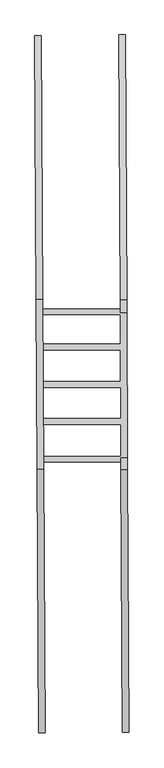
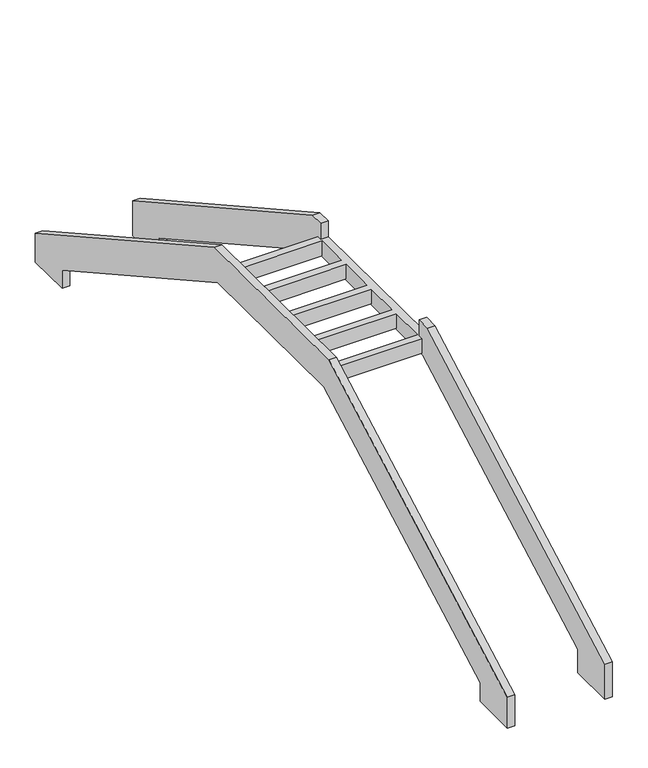
"""IFC4 building model written with IfcOpenShell, lengths in millimetres: stair geometry."""

import ifcopenshell
import ifcopenshell.guid

model = None  # the IFC model being written
_history = None  # IfcOwnerHistory: only IFC2X3 demands one
_inside = {}  # id of a spatial element -> (the spatial element, [elements in it])
_under = {}  # id of a project, library or spatial element -> (it, [spatial elements below it])
_declared = {}  # id of a project -> (the project, [libraries it declares])
_typed = {}  # id of a type object -> (the type object, [elements of that type])
_made_of = {}  # id of a material, layer set ... -> (it, [elements and type objects made of it])


def new_model(schema):
    """Start an empty IFC model of exactly this schema.

    Asked for "IFC4X3", IfcOpenShell would pick the latest addendum, in which some entities
    have other attributes; the version numbers below select the first issue.
    IFC2X3 requires an IfcOwnerHistory on every rooted entity: one is made here for all.
    """
    global model, _history
    if schema == "IFC4X3":
        model = ifcopenshell.file(schema_version=(4, 3, 0, 0))
    else:
        model = ifcopenshell.file(schema=schema)
    _inside.clear()
    _under.clear()
    _declared.clear()
    _typed.clear()
    _made_of.clear()
    _history = None
    if model.schema == "IFC2X3":
        org = make("IfcOrganization", Name="unknown")
        user = make(
            "IfcPersonAndOrganization",
            ThePerson=make("IfcPerson", FamilyName="unknown"),
            TheOrganization=org,
        )
        app = make(
            "IfcApplication",
            ApplicationDeveloper=org,
            Version="unknown",
            ApplicationFullName="unknown",
            ApplicationIdentifier="unknown",
        )
        _history = make(
            "IfcOwnerHistory",
            OwningUser=user,
            OwningApplication=app,
            ChangeAction="ADDED",
            CreationDate=0,
        )
    return model


def make(cls, **values):
    """One entity of the class cls with the attributes given. An attribute that is None is left unset."""
    return model.create_entity(
        cls, **{name: value for name, value in values.items() if value is not None}
    )


def rooted(cls, **values):
    """An entity with a GlobalId (a new one), such as an element, a storey or a relation."""
    return make(cls, GlobalId=ifcopenshell.guid.new(), OwnerHistory=_history, **values)


def si_unit(unit_type, name, prefix=None):
    """IfcSIUnit, for example si_unit("LENGTHUNIT", "METRE", prefix="MILLI")."""
    return make("IfcSIUnit", UnitType=unit_type, Prefix=prefix, Name=name)


def assignment(units):
    """IfcUnitAssignment: the units of a project."""
    return None if units is None else make("IfcUnitAssignment", Units=units)


def point(xyz):
    """IfcCartesianPoint."""
    return None if xyz is None else make("IfcCartesianPoint", Coordinates=xyz)


def direction(xyz):
    """IfcDirection."""
    return None if xyz is None else make("IfcDirection", DirectionRatios=xyz)


def frame(location, z_axis=None, x_axis=None):
    """IfcAxis2Placement3D, a coordinate frame: its origin and axes. An axis left out is left unset."""
    return make(
        "IfcAxis2Placement3D",
        Location=point(location),
        Axis=direction(z_axis),
        RefDirection=direction(x_axis),
    )


def origin():
    """The frame at (0, 0, 0) with its axes left unset."""
    return frame((0.0, 0.0, 0.0))


def place(relative_to, where):
    """IfcLocalPlacement: puts the frame where relative to a parent placement (None: the world)."""
    return make(
        "IfcLocalPlacement", PlacementRelTo=relative_to, RelativePlacement=where
    )


def context(
    kind, dimensions, precision=None, world=None, true_north=None, identifier=None
):
    """IfcGeometricRepresentationContext, for example the 3D "Model" context."""
    return make(
        "IfcGeometricRepresentationContext",
        ContextIdentifier=identifier,
        ContextType=kind,
        CoordinateSpaceDimension=dimensions,
        Precision=precision,
        WorldCoordinateSystem=world,
        TrueNorth=true_north,
    )


def project(units=None, contexts=None):
    """IfcProject with its units and contexts."""
    return rooted(
        "IfcProject",
        Name="project",
        RepresentationContexts=contexts,
        UnitsInContext=assignment(units),
    )


def spatial(cls, under=None, at=None, **own):
    """A site, building, storey or space (cls), placed at a placement, below another one or the project."""
    s = rooted(cls, ObjectPlacement=at, **own)
    if under is not None:
        _under.setdefault(under.id(), (under, []))[1].append(s)
    return s


def faces_of(points, faces, orient=None, outer=None):
    """IfcFace entities. A face is a list of loops; a loop is a list of indices into points, from 0.

    orient and outer hold one flag for each loop. By default every Orientation is true, the
    first loop of a face is its IfcFaceOuterBound and the others are IfcFaceBound.
    """
    made = []
    for i, loops in enumerate(faces):
        bounds = []
        for j, loop in enumerate(loops):
            is_outer = j == 0 if outer is None else outer[i][j]
            bounds.append(
                make(
                    "IfcFaceOuterBound" if is_outer else "IfcFaceBound",
                    Bound=make("IfcPolyLoop", Polygon=[points[k] for k in loop]),
                    Orientation=True if orient is None else orient[i][j],
                )
            )
        made.append(make("IfcFace", Bounds=bounds))
    return made


def faceted_brep(points, faces, orient=None, outer=None, voids=None):
    """IfcFacetedBrep: a solid bounded by flat faces; with voids (closed shells), ...WithVoids."""
    shared = [point(p) for p in points]
    hull = make("IfcClosedShell", CfsFaces=faces_of(shared, faces, orient, outer))
    if voids is None:
        return make("IfcFacetedBrep", Outer=hull)
    return make(
        "IfcFacetedBrepWithVoids",
        Outer=hull,
        Voids=[
            make(cls, CfsFaces=faces_of(shared, fs, o, b)) for cls, fs, o, b in voids
        ],
    )


def shape(context_of_items, identifier, shape_type, items):
    """IfcShapeRepresentation: the items that make up one representation, for example the "Body"."""
    return make(
        "IfcShapeRepresentation",
        ContextOfItems=context_of_items,
        RepresentationIdentifier=identifier,
        RepresentationType=shape_type,
        Items=items,
    )


def source(mapping_origin, context_of_items, identifier, shape_type, items):
    """IfcRepresentationMap: a shape defined once, which mapped items show again and again."""
    return make(
        "IfcRepresentationMap",
        MappingOrigin=mapping_origin,
        MappedRepresentation=shape(context_of_items, identifier, shape_type, items),
    )


def transform(
    local_origin,
    x_axis=None,
    y_axis=None,
    z_axis=None,
    scale=None,
    scale2=None,
    scale3=None,
    uniform=True,
):
    """IfcCartesianTransformationOperator3D, or its non-uniform kind. x_axis, y_axis, z_axis: its Axis1, 2, 3."""
    if uniform:
        return make(
            "IfcCartesianTransformationOperator3D",
            Axis1=direction(x_axis),
            Axis2=direction(y_axis),
            LocalOrigin=point(local_origin),
            Scale=scale,
            Axis3=direction(z_axis),
        )
    return make(
        "IfcCartesianTransformationOperator3DnonUniform",
        Axis1=direction(x_axis),
        Axis2=direction(y_axis),
        LocalOrigin=point(local_origin),
        Scale=scale,
        Axis3=direction(z_axis),
        Scale2=scale2,
        Scale3=scale3,
    )


def mapped(mapping_source, mapping_target):
    """IfcMappedItem: shows the shape of a source again, moved by a transform."""
    return make(
        "IfcMappedItem", MappingSource=mapping_source, MappingTarget=mapping_target
    )


def made_of(thing, what):
    """Note that an element or type object is made of a material, layer set ...; save() writes the relation."""
    if what is not None:
        _made_of.setdefault(what.id(), (what, []))[1].append(thing)
    return thing


def element(
    cls,
    number,
    at=None,
    inside=None,
    cuts=None,
    type_object=None,
    material=None,
    context=None,
    identifier="Body",
    shape_type=None,
    held_by="IfcProductDefinitionShape",
    body=None,
    shapes=None,
    **own,
):
    """One element of the class cls, such as IfcWall. Its Tag is "e" and its number.

    at: its placement. inside: the storey or other place that contains it. cuts: it is an
    opening in that element (IfcRelVoidsElement). A single representation is given by context,
    identifier, shape_type and body (its items); several are given by shapes. held_by: the class
    of the entity that holds the representations. save() writes the other relations.
    """
    e = rooted(cls, Tag="e%d" % number, ObjectPlacement=at, **own)
    if body is not None:
        shapes = [shape(context, identifier, shape_type, body)]
    if shapes is not None:
        e.Representation = make(held_by, Representations=shapes)
    if inside is not None:
        _inside.setdefault(inside.id(), (inside, []))[1].append(e)
    if cuts is not None:
        rooted(
            "IfcRelVoidsElement", RelatingBuildingElement=cuts, RelatedOpeningElement=e
        )
    if type_object is not None:
        _typed.setdefault(type_object.id(), (type_object, []))[1].append(e)
    return made_of(e, material)


def aggregate(whole, parts):
    """IfcRelAggregates: a whole, such as a stair, and the parts it consists of."""
    return rooted("IfcRelAggregates", RelatingObject=whole, RelatedObjects=parts)


def save(model, path):
    """Write the relations noted so far, then the file.

    IfcRelAggregates (storeys below a building ...), IfcRelContainedInSpatialStructure (elements
    in a storey), IfcRelDefinesByType, IfcRelAssociatesMaterial and IfcRelDeclares: one each for
    every whole, place, type object, material and project.
    """
    for whole, parts in _under.values():
        aggregate(whole, parts)
    for where, things in _inside.values():
        rooted(
            "IfcRelContainedInSpatialStructure",
            RelatedElements=things,
            RelatingStructure=where,
        )
    for kind, things in _typed.values():
        rooted("IfcRelDefinesByType", RelatedObjects=things, RelatingType=kind)
    for what, things in _made_of.values():
        rooted("IfcRelAssociatesMaterial", RelatedObjects=things, RelatingMaterial=what)
    for by, libraries in _declared.values():
        rooted("IfcRelDeclares", RelatingContext=by, RelatedDefinitions=libraries)
    model.write(path)


def stair_c651b82e(model_context):
    return source(origin(), model_context, "Body", "Brep", [
        faceted_brep([(112403.682917, 80900.5702248, -2198.5450619), (112403.682917, 80900.5702248, -2464.9395685), (112407.0419128, 80280.958641, -2464.9395685), (112407.0419128, 80280.958641, -2033.9516672), (112384.9159819, 84362.3817662, 258.7640832), (112370.7127064, 86982.3654327, 258.7640832), (112348.5562572, 91069.4180741, -2013.5702522), (112348.5562572, 91069.4180741, -2423.5005751), (112351.861284, 90459.7617824, -2423.5005751), (112351.861284, 90459.7617824, -2171.5289761), (112371.1707569, 86897.8718929, -191.1765302), (112384.3107391, 84474.0268755, -191.1765302), (112503.877541, 80901.113393, -2198.5450619), (112484.5053632, 84474.5700437, -191.1765302), (112471.365381, 86898.4150611, -191.1765302), (112452.0559081, 90460.3049506, -2171.5289761), (112452.0559081, 90460.3049506, -2423.5005751), (112448.7508812, 91069.9612423, -2423.5005751), (112448.7508812, 91069.9612423, -2013.5702522), (112470.9073304, 86982.908601, 258.7640832), (112485.110606, 84362.9249345, 258.7640832), (112507.2365368, 80281.5018092, -2033.9516672), (112507.2365368, 80281.5018092, -2464.9395685), (112503.877541, 80901.113393, -2464.9395685), (112484.0444672, 84559.5884529, -173.9867204), (112484.5593204, 84464.6169053, -173.9867204), (112484.5593204, 84464.6169053, 30.875), (112484.0444672, 84559.5884529, 30.875), (112480.8829073, 85142.780354, -173.9867204), (112481.3977605, 85047.8088064, -173.9867204), (112481.3977605, 85047.8088064, 30.875), (112480.8829073, 85142.780354, 30.875), (112477.7832677, 85714.5502348, -173.9867204), (112478.2981209, 85619.5786871, -173.9867204), (112478.2981209, 85619.5786871, 30.875), (112477.7832677, 85714.5502348, 30.875), (112474.6495958, 86292.5978132, -173.9867204), (112475.1644491, 86197.6262656, -173.9867204), (112475.1644491, 86197.6262656, 30.875), (112474.6495958, 86292.5978132, 30.875), (112471.6802945, 86840.3250512, -173.9867204), (112472.2087004, 86742.8535403, -173.9867204), (112472.2087004, 86742.8535403, 30.875), (112471.6802945, 86840.3250512, 30.875), (113706.4324164, 80902.6595847, -2186.7541083), (113706.4324164, 80902.6595847, -2514.9395685), (113709.7914122, 80283.0480009, -2514.9395685), (113709.7914122, 80283.0480009, -2022.1607137), (113687.7792703, 84343.4812278, 258.7640832), (113686.7397616, 84535.2324906, 258.7640832), (113686.7397616, 84535.2324906, 30.875), (113687.0872372, 84471.1359671, 30.875), (113687.0872372, 84471.1359671, -173.9867204), (113686.572384, 84566.1075147, -173.9867204), (113686.572384, 84566.1075147, 30.875), (113683.9256773, 85054.3278682, 30.875), (113683.9256773, 85054.3278682, -173.9867204), (113683.4108241, 85149.2994158, -173.9867204), (113683.4108241, 85149.2994158, 30.875), (113680.8260377, 85626.0977489, 30.875), (113680.8260377, 85626.0977489, -173.9867204), (113680.3111845, 85721.0692966, -173.9867204), (113680.3111845, 85721.0692966, 30.875), (113677.6923659, 86204.1453274, 30.875), (113677.6923659, 86204.1453274, -173.9867204), (113677.1775126, 86299.116875, -173.9867204), (113677.1775126, 86299.116875, 30.875), (113674.7366172, 86749.3726021, 30.875), (113674.7366172, 86749.3726021, -173.9867204), (113674.2082114, 86846.844113, -173.9867204), (113674.2082114, 86846.844113, 30.875), (113674.535663, 86786.4412957, 30.875), (113674.535663, 86786.4412957, 258.7640832), (113673.5164163, 86974.4549396, 258.7640832), (113651.2515461, 91081.507287, -2024.6897613), (113651.2515461, 91081.507287, -2513.5005751), (113654.5565729, 90471.8509954, -2513.5005751), (113654.5565729, 90471.8509954, -2182.6484851), (113673.9744669, 86889.9613997, -191.1765302), (113687.1740275, 84455.126337, -191.1765302), (113806.6270404, 80903.2027529, -2186.7541083), (113787.3686516, 84455.6695053, -191.1765302), (113774.1690909, 86890.5045679, -191.1765302), (113754.751197, 90472.3941636, -2182.6484851), (113754.751197, 90472.3941636, -2513.5005751), (113751.4461701, 91082.0504552, -2513.5005751), (113751.4461701, 91082.0504552, -2024.6897613), (113773.7110403, 86974.9981078, 258.7640832), (113774.730287, 86786.9844639, 258.7640832), (113774.730287, 86786.9844639, 30.875), (113786.9343856, 84535.7756588, 30.875), (113786.9343856, 84535.7756588, 258.7640832), (113787.9738944, 84344.024396, 258.7640832), (113809.9860362, 80283.5911691, -2022.1607137), (113809.9860362, 80283.5911691, -2514.9395685), (113806.6270404, 80903.2027529, -2514.9395685)], [[[0, 1, 2, 3, 4, 5, 6, 7, 8, 9, 10, 11]], [[12, 13, 14, 15, 16, 17, 18, 19, 20, 21, 22, 23], [24, 25, 26, 27], [28, 29, 30, 31], [32, 33, 34, 35], [36, 37, 38, 39], [40, 41, 42, 43]], [[0, 11, 13, 12]], [[11, 10, 14, 13]], [[10, 9, 15, 14]], [[9, 8, 16, 15]], [[8, 7, 17, 16]], [[7, 6, 18, 17]], [[6, 5, 19, 18]], [[5, 4, 20, 19]], [[4, 3, 21, 20]], [[3, 2, 22, 21]], [[2, 1, 23, 22]], [[1, 0, 12, 23]], [[44, 45, 46, 47, 48, 49, 50, 51, 52, 53, 54, 55, 56, 57, 58, 59, 60, 61, 62, 63, 64, 65, 66, 67, 68, 69, 70, 71, 72, 73, 74, 75, 76, 77, 78, 79]], [[80, 81, 82, 83, 84, 85, 86, 87, 88, 89, 90, 91, 92, 93, 94, 95]], [[44, 79, 81, 80]], [[79, 78, 82, 81]], [[78, 77, 83, 82]], [[77, 76, 84, 83]], [[76, 75, 85, 84]], [[75, 74, 86, 85]], [[74, 73, 87, 86]], [[73, 72, 88, 87]], [[48, 47, 93, 92]], [[47, 46, 94, 93]], [[46, 45, 95, 94]], [[45, 44, 80, 95]], [[72, 71, 89, 88]], [[90, 50, 49, 91]], [[49, 48, 92, 91]], [[25, 24, 53, 52]], [[24, 27, 54, 53]], [[27, 26, 51, 50, 90, 89, 71, 70, 43, 42, 67, 66, 39, 38, 63, 62, 35, 34, 59, 58, 31, 30, 55, 54]], [[26, 25, 52, 51]], [[29, 28, 57, 56]], [[28, 31, 58, 57]], [[30, 29, 56, 55]], [[33, 32, 61, 60]], [[32, 35, 62, 61]], [[34, 33, 60, 59]], [[37, 36, 65, 64]], [[36, 39, 66, 65]], [[38, 37, 64, 63]], [[41, 40, 69, 68]], [[40, 43, 70, 69]], [[42, 41, 68, 67]]]),
    ])


if __name__ == "__main__":
    model = new_model("IFC4")
    model_context = context("Model", 3, world=origin())
    ifc_project = project(units=[si_unit("LENGTHUNIT", "METRE", prefix="MILLI")], contexts=[model_context])
    site = spatial("IfcSite", under=ifc_project)
    building = spatial("IfcBuilding", under=site)
    placement = place(None, origin())
    stair_shape = stair_c651b82e(model_context)
    element("IfcStair", 1, at=placement, inside=building, context=model_context, shape_type="MappedRepresentation", body=[
        mapped(stair_shape, transform((0.0, 0.0, 0.0), x_axis=(1.0, 0.0, 0.0), y_axis=(0.0, 1.0, 0.0), z_axis=(0.0, 0.0, 1.0))),
    ])
    save(model, "model.ifc")
